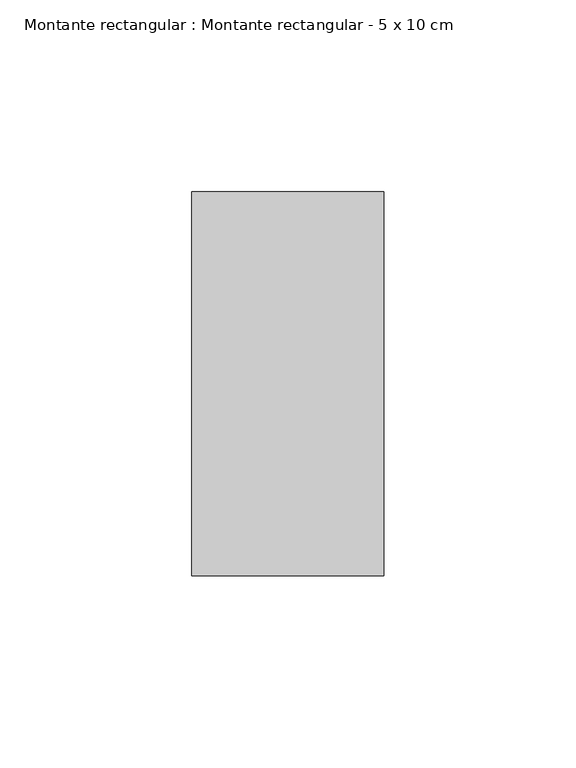
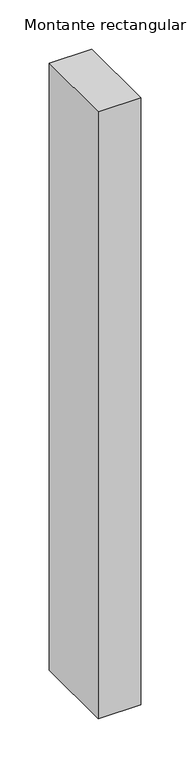
"""IFC4 building model written with IfcOpenShell, lengths in millimetres: member geometry, Montante rectangular : Montante rectangular - 5 x 10 cm."""

from ifc_helpers import new_model, si_unit, frame, origin, place, context, project, spatial, polyline, outline, extrude, source, transform, mapped, element, save


def montante_rectangular_montante_rectangular_5_x_10_cm_697e8642(model_context):
    return source(origin(), model_context, "Body", "SweptSolid", [
        extrude(outline(polyline([(0.0, 50.0), (0.0, -50.0), (-50.0, -50.0), (-50.0, 50.0), (0.0, 50.0)])), frame((0.0, 0.0, -755.1409033), z_axis=(0.0, 0.0, 1.0), x_axis=(1.0, 0.0, 0.0)), (0.0, 0.0, 1.0), 755.1409033),
    ])


if __name__ == "__main__":
    model = new_model("IFC4")
    model_context = context("Model", 3, world=origin())
    ifc_project = project(units=[si_unit("LENGTHUNIT", "METRE", prefix="MILLI")], contexts=[model_context])
    site = spatial("IfcSite", under=ifc_project)
    building = spatial("IfcBuilding", under=site)
    placement = place(None, origin())
    montante_rectangular_montante_rectangular_5_x_10_cm_shape = montante_rectangular_montante_rectangular_5_x_10_cm_697e8642(model_context)
    element("IfcMember", 1, ObjectType="Montante rectangular : Montante rectangular - 5 x 10 cm", at=placement, inside=building, context=model_context, shape_type="MappedRepresentation", body=[
        mapped(montante_rectangular_montante_rectangular_5_x_10_cm_shape, transform((0.0, 0.0, 0.0), x_axis=(1.0, 0.0, 0.0), y_axis=(0.0, 1.0, 0.0), z_axis=(0.0, 0.0, 1.0))),
    ])
    save(model, "model.ifc")
